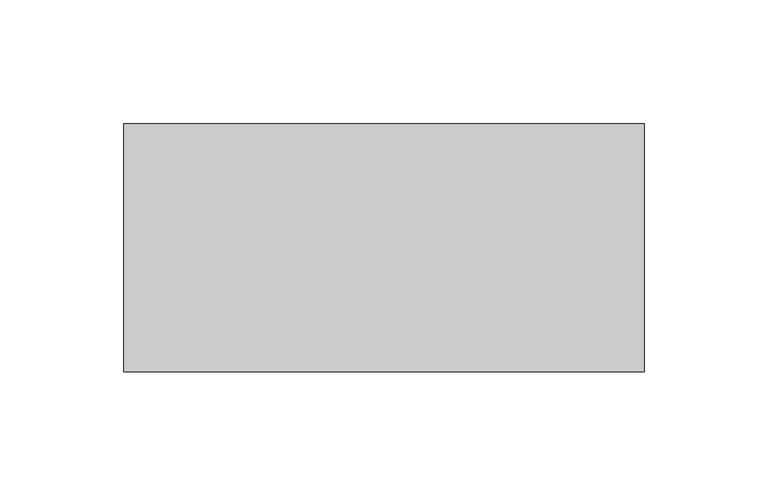
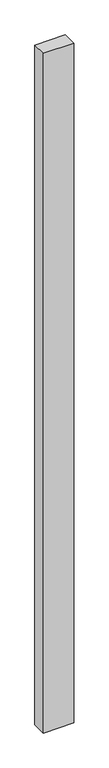
"""IFC4 building model written with IfcOpenShell, lengths in millimetres: proxy geometry."""

from ifc_helpers import new_model, si_unit, frame, origin, place, context, project, spatial, polyline, outline, extrude, source, transform, mapped, element, save


def generic_models_3d3d28bb(model_context):
    return source(origin(), model_context, "Body", "SweptSolid", [
        extrude(outline(polyline([(210.0, 100.0), (210.0, 0.0), (0.0, 0.0), (0.0, 100.0), (210.0, 100.0)])), frame((0.0, 0.0, -4950.0), z_axis=(0.0, 0.0, 1.0), x_axis=(1.0, 0.0, 0.0)), (0.0, 0.0, 1.0), 4950.0),
    ])


if __name__ == "__main__":
    model = new_model("IFC4")
    model_context = context("Model", 3, world=origin())
    ifc_project = project(units=[si_unit("LENGTHUNIT", "METRE", prefix="MILLI")], contexts=[model_context])
    site = spatial("IfcSite", under=ifc_project)
    building = spatial("IfcBuilding", under=site)
    placement = place(None, origin())
    generic_models_shape = generic_models_3d3d28bb(model_context)
    element("IfcBuildingElementProxy", 1, Name="Generic Models", at=placement, inside=building, context=model_context, shape_type="MappedRepresentation", body=[
        mapped(generic_models_shape, transform((0.0, 0.0, 0.0), x_axis=(1.0, 0.0, 0.0), y_axis=(0.0, 1.0, 0.0), z_axis=(0.0, 0.0, 1.0))),
    ])
    save(model, "model.ifc")
